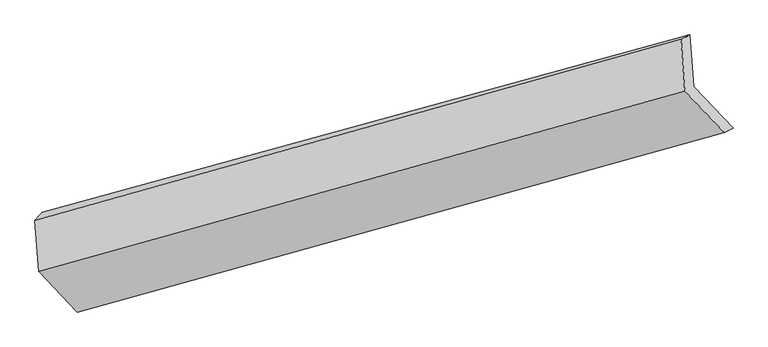
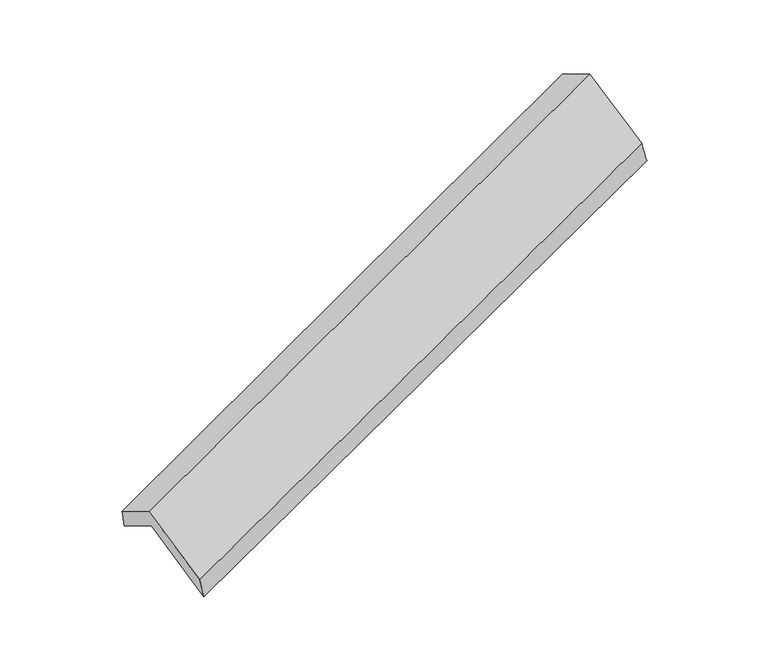
"""IFC4 building model written with IfcOpenShell, lengths in millimetres: proxy geometry."""

from ifc_helpers import new_model, si_unit, frame, origin, place, context, project, spatial, source, transform, mapped, element, save
from ifc_brep_helpers import plane_surface, spline_surface, advanced_brep


def generic_models_ff451ea4(model_context):
    return source(origin(), model_context, "Body", "AdvancedBrep", [
        advanced_brep(
        [(-5095.2538469, -2106.8804946, 1301.2148188), (-5120.6028735, -1758.1958162, 1103.8723847), (-758.3282716, -561.4223609, 2658.1105998), (-732.9792449, -910.1070393, 2855.4530339), (-5168.3388112, -1811.7593972, 1279.096966), (-817.5419175, -591.91033, 2847.781252), (-5143.3493273, -2155.4984412, 1473.6403567), (-792.1928909, -940.5950085, 3045.123686), (-4882.9435734, -2430.4119132, 954.4456459), (-526.9684629, -1220.5956124, 2516.3215451), (-4825.9771251, -2391.1591537, 764.3332498), (-467.754817, -1190.1076432, 2326.650893)],
        [
            (0, 1),
            (1, 2),
            (2, 3),
            (3, 0),
            (1, 4),
            (4, 5),
            (5, 2),
            (4, 6),
            (6, 7),
            (7, 5),
            (6, 8),
            (8, 9),
            (9, 7),
            (8, 10),
            (10, 11),
            (11, 9),
            (10, 0),
            (3, 11),
        ],
        [
            plane_surface(frame((-5107.9283602, -1932.5381554, 1202.5436018), z_axis=(0.4052293898441096, -0.4278055183387025, -0.8079428074347372), x_axis=(-0.06314259097253891, 0.8685483021879106, -0.4915657229422865))),
            spline_surface(1, 1, [[(-5120.6028735, -1758.1958162, 1103.8723847), (-758.3282716, -561.4223609, 2658.1105998)], [(-5168.3388112, -1811.7593972, 1279.096966), (-817.5419175, -591.91033, 2847.781252)]], [2, 2], [2, 2], [0.0, 1.0], [0.0, 1.0]),
            plane_surface(frame((-5155.8440692, -1983.6289192, 1376.3686613), z_axis=(-0.41021804202875267, 0.4264288180198038, 0.8061511155833809), x_axis=(0.06314259097253871, -0.8685483021879106, 0.49156572294228634))),
            plane_surface(frame((-5013.1464503, -2292.9551772, 1214.0430013), z_axis=(0.06466254846717101, -0.868130077262167, 0.49210661830391517), x_axis=(0.40522938984411205, -0.42780551833870517, -0.8079428074347346))),
            spline_surface(1, 1, [[(-4882.9435734, -2430.4119132, 954.4456459), (-526.9684629, -1220.5956124, 2516.3215451)], [(-4825.9771251, -2391.1591537, 764.3332498), (-467.754817, -1190.1076432, 2326.650893)]], [2, 2], [2, 2], [0.0, 1.0], [0.0, 1.0]),
            plane_surface(frame((-4960.615486, -2249.0198242, 1032.7740343), z_axis=(-0.06314259097251809, 0.8685483021879142, -0.49156572294228273), x_axis=(-0.40522938984411205, 0.42780551833870517, 0.8079428074347346))),
            plane_surface(frame((-682.6276008, -902.4563324, 2708.2401683), z_axis=(0.9120318825632381, 0.2502124801952342, 0.32494854968549314), x_axis=(0.294559790974058, 0.15166317971868626, -0.9435214939040535))),
            plane_surface(frame((-5039.4109262, -2108.9842027, 1146.1005703), z_axis=(-0.9120318825632445, -0.25021248019514936, -0.3249485496855409), x_axis=(0.40522938984411144, -0.42780551833870095, -0.8079428074347371))),
        ],
        [
            (0, [[1, 2, 3, 4]]),
            (1, [[5, 6, 7, -2]]),
            (2, [[8, 9, 10, -6]]),
            (3, [[11, 12, 13, -9]]),
            (4, [[14, 15, 16, -12]]),
            (5, [[17, -4, 18, -15]]),
            (6, [[-16, -18, -3, -7, -10, -13]]),
            (7, [[-17, -14, -11, -8, -5, -1]]),
        ],
    ),
    ])


if __name__ == "__main__":
    model = new_model("IFC4")
    model_context = context("Model", 3, world=origin())
    ifc_project = project(units=[si_unit("LENGTHUNIT", "METRE", prefix="MILLI")], contexts=[model_context])
    site = spatial("IfcSite", under=ifc_project)
    building = spatial("IfcBuilding", under=site)
    placement = place(None, origin())
    generic_models_shape = generic_models_ff451ea4(model_context)
    element("IfcBuildingElementProxy", 1, Name="Generic Models", at=placement, inside=building, context=model_context, shape_type="MappedRepresentation", body=[
        mapped(generic_models_shape, transform((0.0, 0.0, 0.0), x_axis=(1.0, 0.0, 0.0), y_axis=(0.0, 1.0, 0.0), z_axis=(0.0, 0.0, 1.0))),
    ])
    save(model, "model.ifc")
